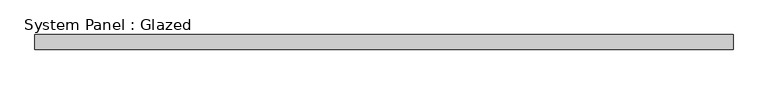
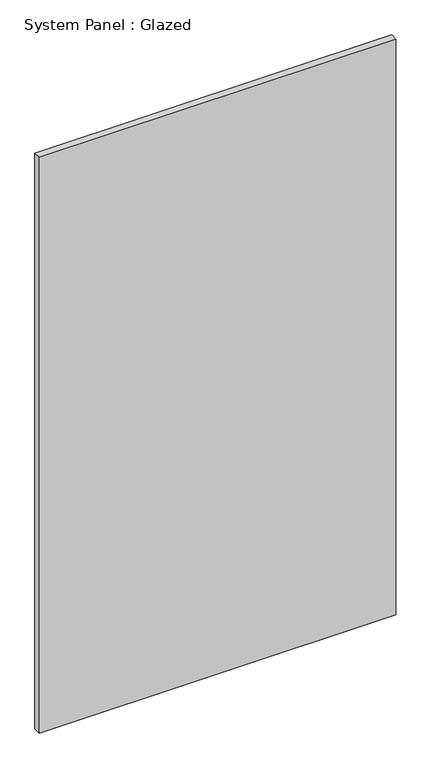
"""IFC4 building model written with IfcOpenShell, lengths in millimetres: plate geometry, System Panel : Glazed."""

from ifc_helpers import new_model, si_unit, origin, origin_with_axes, place, context, project, spatial, polyline, outline, extrude, source, transform, mapped, element, save


def system_panel_glazed_cfe5d748(model_context):
    return source(origin(), model_context, "Body", "SweptSolid", [
        extrude(outline(polyline([(589.1625, 19.05), (-589.1625, 19.05), (-589.1625, 44.45), (589.1625, 44.45), (589.1625, 19.05)])), origin_with_axes(), (0.0, 0.0, 1.0), 2010.7536198),
    ])


if __name__ == "__main__":
    model = new_model("IFC4")
    model_context = context("Model", 3, world=origin())
    ifc_project = project(units=[si_unit("LENGTHUNIT", "METRE", prefix="MILLI")], contexts=[model_context])
    site = spatial("IfcSite", under=ifc_project)
    building = spatial("IfcBuilding", under=site)
    placement = place(None, origin())
    system_panel_glazed_shape = system_panel_glazed_cfe5d748(model_context)
    element("IfcPlate", 1, ObjectType="System Panel : Glazed", at=placement, inside=building, context=model_context, shape_type="MappedRepresentation", body=[
        mapped(system_panel_glazed_shape, transform((0.0, 0.0, 0.0), x_axis=(1.0, 0.0, 0.0), y_axis=(0.0, 1.0, 0.0), z_axis=(0.0, 0.0, 1.0))),
    ])
    save(model, "model.ifc")
